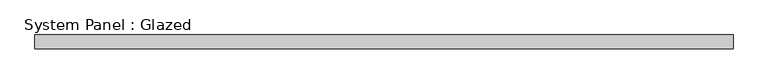
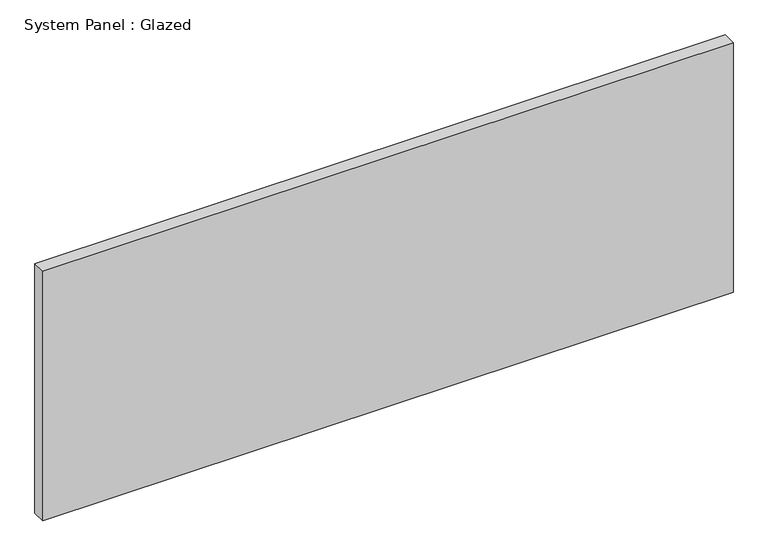
"""IFC4 building model written with IfcOpenShell, lengths in millimetres: plate geometry, System Panel : Glazed."""

from ifc_helpers import new_model, si_unit, origin, origin_with_axes, place, context, project, spatial, polyline, outline, extrude, source, transform, mapped, element, save


def system_panel_glazed_6463e181(model_context):
    return source(origin(), model_context, "Body", "SweptSolid", [
        extrude(outline(polyline([(649.0416667, -44.45), (-649.0416667, -44.45), (-649.0416667, -19.05), (649.0416667, -19.05), (649.0416667, -44.45)])), origin_with_axes(), (0.0, 0.0, 1.0), 496.35),
    ])


if __name__ == "__main__":
    model = new_model("IFC4")
    model_context = context("Model", 3, world=origin())
    ifc_project = project(units=[si_unit("LENGTHUNIT", "METRE", prefix="MILLI")], contexts=[model_context])
    site = spatial("IfcSite", under=ifc_project)
    building = spatial("IfcBuilding", under=site)
    placement = place(None, origin())
    system_panel_glazed_shape = system_panel_glazed_6463e181(model_context)
    element("IfcPlate", 1, ObjectType="System Panel : Glazed", at=placement, inside=building, context=model_context, shape_type="MappedRepresentation", body=[
        mapped(system_panel_glazed_shape, transform((0.0, 0.0, 0.0), x_axis=(1.0, 0.0, 0.0), y_axis=(0.0, 1.0, 0.0), z_axis=(0.0, 0.0, 1.0))),
    ])
    save(model, "model.ifc")
